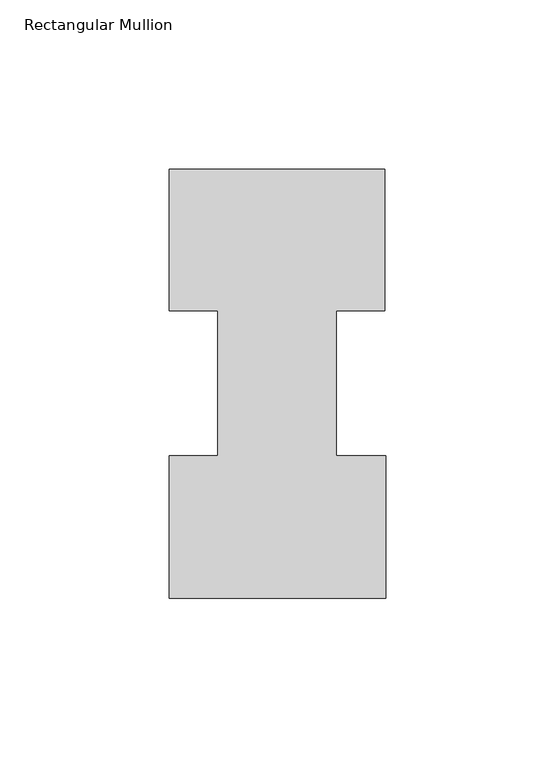
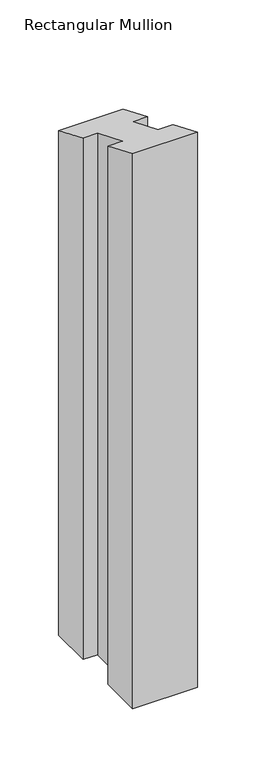
"""IFC4 building model written with IfcOpenShell, lengths in millimetres: member geometry, Rectangular Mullion."""

from ifc_helpers import new_model, si_unit, origin, place, context, project, spatial, faceted_brep, source, transform, mapped, element, save


def rectangular_mullion_f649a927(model_context):
    return source(origin(), model_context, "Body", "Brep", [
        faceted_brep([(-63.5, 0.2428875, -577.8505426), (-63.5, 42.2798875, -577.8505426), (-49.21504, 42.2798875, -577.8505426), (-49.21504, 85.1296875, -577.8505426), (-63.5, 85.1296875, -577.8505426), (-63.5, 126.7348875, -577.8505426), (0.0, 126.7348875, -577.8505426), (0.0, 85.1296875, -577.8505426), (-14.2748, 85.1296875, -577.8505426), (-14.2748, 42.2798875, -577.8505426), (0.2408142, 42.2798875, -577.8505426), (0.2408142, 0.2428875, -577.8505426), (0.2408142, 0.2428875, -0.1006073), (-63.5, 0.2428875, -0.1006073), (0.2408142, 42.2798875, -17.5129028), (-14.2748, 42.2798875, -17.5129028), (-14.2748, 85.1296875, -35.2618711), (0.0, 85.1296875, -35.2618711), (0.0, 126.7348875, -52.4953092), (-63.5, 126.7348875, -52.4953092), (-63.5, 85.1296875, -35.2618711), (-49.21504, 85.1296875, -35.2618711), (-49.21504, 42.2798875, -17.5129028), (-63.5, 42.2798875, -17.5129028)], [[[0, 1, 2, 3, 4, 5, 6, 7, 8, 9, 10, 11]], [[12, 13, 0, 11]], [[14, 12, 11, 10]], [[15, 14, 10, 9]], [[16, 15, 9, 8]], [[17, 16, 8, 7]], [[18, 17, 7, 6]], [[19, 18, 6, 5]], [[20, 19, 5, 4]], [[21, 20, 4, 3]], [[22, 21, 3, 2]], [[23, 22, 2, 1]], [[13, 23, 1, 0]], [[13, 12, 14, 15, 16, 17, 18, 19, 20, 21, 22, 23]]]),
    ])


if __name__ == "__main__":
    model = new_model("IFC4")
    model_context = context("Model", 3, world=origin())
    ifc_project = project(units=[si_unit("LENGTHUNIT", "METRE", prefix="MILLI")], contexts=[model_context])
    site = spatial("IfcSite", under=ifc_project)
    building = spatial("IfcBuilding", under=site)
    placement = place(None, origin())
    rectangular_mullion_shape = rectangular_mullion_f649a927(model_context)
    element("IfcMember", 1, ObjectType="Rectangular Mullion", at=placement, inside=building, context=model_context, shape_type="MappedRepresentation", body=[
        mapped(rectangular_mullion_shape, transform((0.0, 0.0, 0.0), x_axis=(1.0, 0.0, 0.0), y_axis=(0.0, 1.0, 0.0), z_axis=(0.0, 0.0, 1.0))),
    ])
    save(model, "model.ifc")
